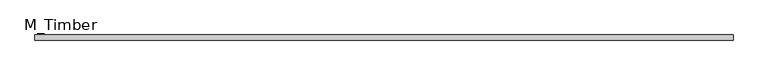
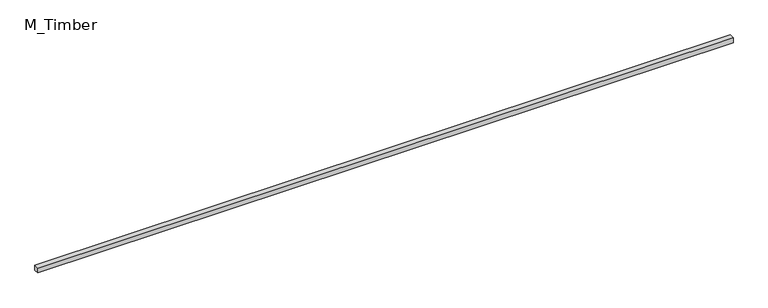
"""IFC4 building model written with IfcOpenShell, lengths in millimetres: beam geometry, M_Timber."""

from ifc_helpers import new_model, si_unit, frame, origin, place, context, project, spatial, polyline, outline, extrude, source, transform, mapped, element, save


def m_timber_926c2380(model_context):
    return source(origin(), model_context, "Body", "SweptSolid", [
        extrude(outline(polyline([(2699.8086164, 20.0), (2699.8086164, -20.0), (-2699.8086164, -20.0), (-2699.8086164, 20.0), (2699.8086164, 20.0)])), frame((0.0, 0.0, -20.0), z_axis=(0.0, 0.0, 1.0), x_axis=(1.0, 0.0, 0.0)), (0.0, 0.0, 1.0), 40.0),
    ])


if __name__ == "__main__":
    model = new_model("IFC4")
    model_context = context("Model", 3, world=origin())
    ifc_project = project(units=[si_unit("LENGTHUNIT", "METRE", prefix="MILLI")], contexts=[model_context])
    site = spatial("IfcSite", under=ifc_project)
    building = spatial("IfcBuilding", under=site)
    placement = place(None, origin())
    m_timber_shape = m_timber_926c2380(model_context)
    element("IfcBeam", 1, ObjectType="M_Timber", at=placement, inside=building, context=model_context, shape_type="MappedRepresentation", body=[
        mapped(m_timber_shape, transform((0.0, 0.0, 0.0), x_axis=(1.0, 0.0, 0.0), y_axis=(0.0, 1.0, 0.0), z_axis=(0.0, 0.0, 1.0))),
    ])
    save(model, "model.ifc")
